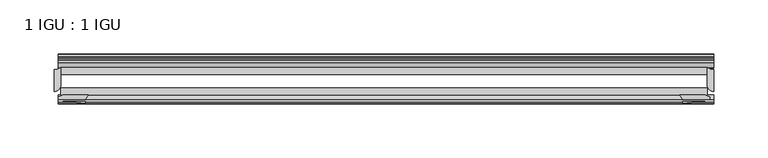
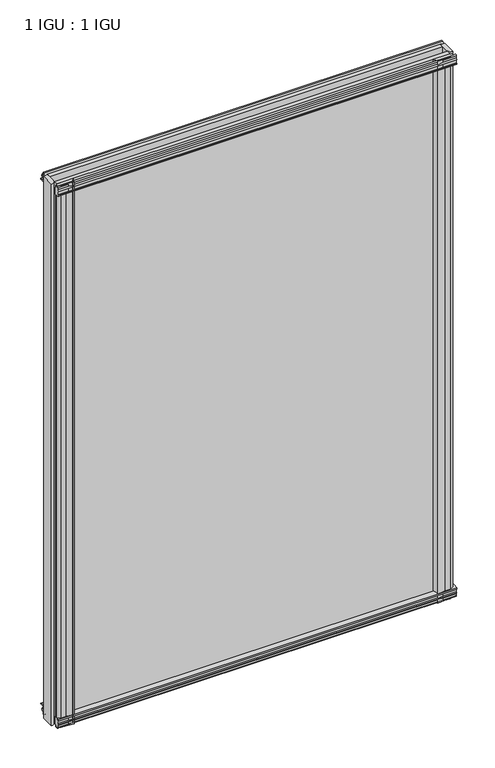
"""IFC4 building model written with IfcOpenShell, lengths in millimetres: plate geometry, 1 IGU : 1 IGU."""

from ifc_helpers import new_model, si_unit, point, frame, frame_2d, origin, place, context, project, spatial, polyline, circle_curve, trimmed, segment, composite_curve, outline, extrude, source, transform, mapped, element, save


def plate_1_igu_1_igu_5ffcab90(model_context):
    return source(origin(), model_context, "Body", "SweptSolid", [
        extrude(outline(composite_curve([segment(polyline([(-57.0900403, 1.731044), (-50.00625, 3.0983599), (-50.00625, -7.92383), (-54.1882244, -12.1058044)]), True, "CONTINUOUS"), segment(trimmed(circle_curve(frame_2d((-55.08625, -11.2077788)), 1.27), [point((-54.1882244, -12.1058044))], [point((-56.35625, -11.2077788))], False, "CARTESIAN"), True, "CONTINUOUS"), segment(polyline([(-56.35625, -11.2077788), (-56.35625, -8.0327788), (-57.835546, -5.4488186), (-56.35625, -5.1879788), (-56.35625, 0.2222212), (-57.65913, 0.0383748)]), True, "CONTINUOUS"), segment(trimmed(circle_curve(frame_2d((-56.9150839, 0.7302212)), 1.016), [point((-57.65913, 0.0383748))], [point((-57.0900403, 1.731044))], False, "CARTESIAN"), True, "CONTINUOUS")], self_intersect=False)), frame((-300.7614, 0.0, 0.0), z_axis=(1.0, 0.0, 0.0), x_axis=(0.0, 1.0, 0.0)), (0.0, 0.0, 1.0), 605.5614),
        extrude(outline(composite_curve([segment(polyline([(-24.60625, 2.5763839), (-12.8423053, 1.6478499)]), True, "CONTINUOUS"), segment(trimmed(circle_curve(frame_2d((-12.92225, 0.635)), 1.016), [point((-12.8423053, 1.6478499))], [point((-12.1291353, 0.0))], False, "CARTESIAN"), True, "CONTINUOUS"), segment(polyline([(-12.1291353, 0.0), (-18.25625, 0.0), (-18.25625, -4.953), (-15.9568457, -5.5691235), (-16.3325195, -4.1670901), (-15.4738114, -3.937), (-14.82725, -6.35), (-15.4738114, -8.763), (-16.3325195, -8.5329099), (-15.9568457, -7.1308765), (-18.25625, -7.747), (-18.25625, -12.7), (-20.28825, -12.7), (-24.60625, -9.1036931), (-24.60625, 2.5763839)]), True, "CONTINUOUS")], self_intersect=False)), frame((-300.7614, 0.0, 0.0), z_axis=(1.0, 0.0, 0.0), x_axis=(0.0, 1.0, 0.0)), (0.0, 0.0, 1.0), 605.5614),
        extrude(outline(composite_curve([segment(polyline([(-20.28825, 857.1484), (-18.25625, 857.1484), (-18.25625, 852.1954), (-15.9568457, 851.5792765), (-16.3325195, 852.9813099), (-15.4738114, 853.2114), (-14.82725, 850.7984), (-15.4738114, 848.3854), (-16.3325195, 848.6154901), (-15.9568457, 850.0175235), (-18.25625, 849.4014), (-18.25625, 844.4484), (-12.1291353, 844.4484)]), True, "CONTINUOUS"), segment(trimmed(circle_curve(frame_2d((-12.92225, 843.8134)), 1.016), [point((-12.1291353, 844.4484))], [point((-12.8423053, 842.8005501))], False, "CARTESIAN"), True, "CONTINUOUS"), segment(polyline([(-12.8423053, 842.8005501), (-24.60625, 841.8720161), (-24.60625, 853.5520931), (-20.28825, 857.1484)]), True, "CONTINUOUS")], self_intersect=False)), frame((-300.7614, 0.0, 0.0), z_axis=(1.0, 0.0, 0.0), x_axis=(0.0, 1.0, 0.0)), (0.0, 0.0, 1.0), 605.5614),
        extrude(outline(composite_curve([segment(trimmed(circle_curve(frame_2d((-56.9150839, 843.7181788)), 1.016), [point((-57.0900403, 842.717356))], [point((-57.65913, 844.4100252))], False, "CARTESIAN"), True, "CONTINUOUS"), segment(polyline([(-57.65913, 844.4100252), (-56.35625, 844.2261788), (-56.35625, 849.6363788), (-57.835546, 849.8972186), (-56.35625, 852.4811788), (-56.35625, 855.6561788)]), True, "CONTINUOUS"), segment(trimmed(circle_curve(frame_2d((-55.08625, 855.6561788)), 1.27), [point((-56.35625, 855.6561788))], [point((-54.1882244, 856.5542044))], False, "CARTESIAN"), True, "CONTINUOUS"), segment(polyline([(-54.1882244, 856.5542044), (-50.00625, 852.37223), (-50.00625, 841.3500401), (-57.0900403, 842.717356)]), True, "CONTINUOUS")], self_intersect=False)), frame((-300.7614, 0.0, 0.0), z_axis=(1.0, 0.0, 0.0), x_axis=(0.0, 1.0, 0.0)), (0.0, 0.0, 1.0), 605.5614),
        extrude(outline(composite_curve([segment(polyline([(300.7614, -54.14645), (295.5386192, -56.35625), (287.655, -56.35625), (276.225, -57.5575914)]), True, "CONTINUOUS"), segment(trimmed(circle_curve(frame_2d((266.2774732, -57.0773768)), 9.9591112), [point((276.225, -57.5575914))], [point((273.2905368, -50.00625))], True, "CARTESIAN"), True, "CONTINUOUS"), segment(polyline([(273.2905368, -50.00625), (296.9793863, -50.00625), (300.7614, -51.60645), (300.7614, -54.14645)]), True, "CONTINUOUS")], self_intersect=False)), frame((0.0, 0.0, -12.7), z_axis=(0.0, 0.0, 1.0), x_axis=(1.0, 0.0, 0.0)), (0.0, 0.0, 1.0), 869.8484),
        extrude(outline(composite_curve([segment(trimmed(circle_curve(frame_2d((304.8, -40.48125)), 6.35), [point((304.8, -46.83125))], [point((298.45, -40.48125))], False, "CARTESIAN"), True, "CONTINUOUS"), segment(polyline([(298.45, -40.48125), (298.45, -24.60625)]), True, "CONTINUOUS"), segment(trimmed(circle_curve(frame_2d((304.8, -14.2606186)), 12.1389698), [point((298.45, -24.60625))], [point((304.8, -26.3995885))], True, "CARTESIAN"), True, "CONTINUOUS"), segment(polyline([(304.8, -26.3995885), (304.8, -46.83125)]), True, "CONTINUOUS")], self_intersect=False)), frame((0.0, 0.0, -12.7), z_axis=(0.0, 0.0, 1.0), x_axis=(1.0, 0.0, 0.0)), (0.0, 0.0, 1.0), 869.8484),
        extrude(outline(composite_curve([segment(trimmed(circle_curve(frame_2d((-266.2774732, -57.0773768)), 9.9591112), [point((-273.2905368, -50.00625))], [point((-276.225, -57.5575914))], True, "CARTESIAN"), True, "CONTINUOUS"), segment(polyline([(-276.225, -57.5575914), (-287.655, -56.35625), (-295.5386192, -56.35625), (-300.7614, -54.14645), (-300.7614, -51.60645), (-296.9793863, -50.00625), (-273.2905368, -50.00625)]), True, "CONTINUOUS")], self_intersect=False)), frame((0.0, 0.0, -12.7), z_axis=(0.0, 0.0, 1.0), x_axis=(1.0, 0.0, 0.0)), (0.0, 0.0, 1.0), 869.8484),
        extrude(outline(composite_curve([segment(trimmed(circle_curve(frame_2d((-304.8, -14.2606186)), 12.1389698), [point((-304.8, -26.3995885))], [point((-298.45, -24.60625))], True, "CARTESIAN"), True, "CONTINUOUS"), segment(polyline([(-298.45, -24.60625), (-298.45, -40.48125)]), True, "CONTINUOUS"), segment(trimmed(circle_curve(frame_2d((-304.8, -40.48125)), 6.35), [point((-298.45, -40.48125))], [point((-304.8, -46.83125))], False, "CARTESIAN"), True, "CONTINUOUS"), segment(polyline([(-304.8, -46.83125), (-304.8, -26.3995885)]), True, "CONTINUOUS")], self_intersect=False)), frame((0.0, 0.0, -12.7), z_axis=(0.0, 0.0, 1.0), x_axis=(1.0, 0.0, 0.0)), (0.0, 0.0, 1.0), 869.8484),
        extrude(outline(polyline([(-298.45, -24.60625), (298.45, -24.60625), (298.45, -30.95625), (-298.45, -30.95625), (-298.45, -24.60625)])), frame((0.0, 0.0, -12.7), z_axis=(0.0, 0.0, 1.0), x_axis=(1.0, 0.0, 0.0)), (0.0, 0.0, 1.0), 869.8484),
        extrude(outline(polyline([(298.45, -43.65625), (298.45, -50.00625), (-298.45, -50.00625), (-298.45, -43.65625), (298.45, -43.65625)])), frame((0.0, 0.0, -12.7), z_axis=(0.0, 0.0, 1.0), x_axis=(1.0, 0.0, 0.0)), (0.0, 0.0, 1.0), 869.8484),
    ])


if __name__ == "__main__":
    model = new_model("IFC4")
    model_context = context("Model", 3, world=origin())
    ifc_project = project(units=[si_unit("LENGTHUNIT", "METRE", prefix="MILLI")], contexts=[model_context])
    site = spatial("IfcSite", under=ifc_project)
    building = spatial("IfcBuilding", under=site)
    placement = place(None, origin())
    plate_1_igu_1_igu_shape = plate_1_igu_1_igu_5ffcab90(model_context)
    element("IfcPlate", 1, ObjectType="1 IGU : 1 IGU", at=placement, inside=building, context=model_context, shape_type="MappedRepresentation", body=[
        mapped(plate_1_igu_1_igu_shape, transform((0.0, 0.0, 0.0), x_axis=(1.0, 0.0, 0.0), y_axis=(0.0, 1.0, 0.0), z_axis=(0.0, 0.0, 1.0))),
    ])
    save(model, "model.ifc")
